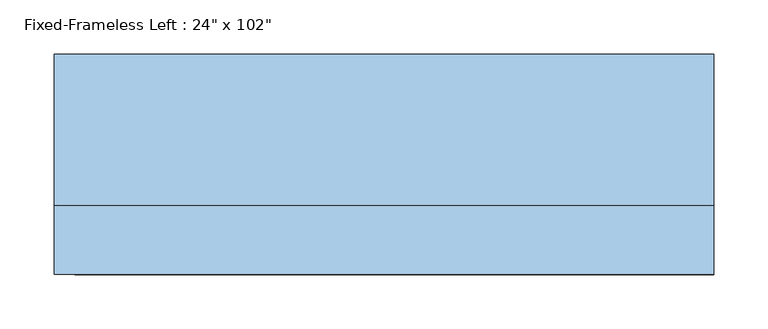
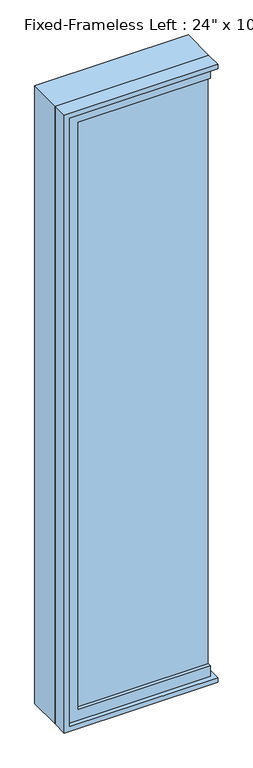
"""IFC4 building model written with IfcOpenShell, lengths in millimetres: window geometry."""

from ifc_helpers import new_model, si_unit, frame, origin, place, context, project, spatial, polyline, outline, extrude, source, transform, mapped, element, save


def window_0085fd8d(model_context):
    return source(origin(), model_context, "Body", "SweptSolid", [
        extrude(outline(polyline([(247.65, -53.975), (247.65, -66.675), (-279.4, -66.675), (-279.4, -53.975), (247.65, -53.975)])), frame((0.0, 0.0, 368.3), z_axis=(0.0, 0.0, 1.0), x_axis=(1.0, 0.0, 0.0)), (0.0, 0.0, 1.0), 2463.8),
        extrude(outline(polyline([(2876.55, -323.85), (323.85, -323.85), (323.85, 247.65), (368.3, 247.65), (368.3, -279.4), (2832.1, -279.4), (2832.1, 247.65), (2876.55, 247.65), (2876.55, -323.85)])), frame((0.0, -82.55, 0.0), z_axis=(0.0, 1.0, 0.0), x_axis=(0.0, 0.0, 1.0)), (0.0, 0.0, 1.0), 44.45),
        extrude(outline(polyline([(2895.6, -342.9), (304.8, -342.9), (304.8, 266.7), (336.55, 266.7), (336.55, -311.15), (2863.85, -311.15), (2863.85, 266.7), (2895.6, 266.7), (2895.6, -342.9)])), frame((0.0, -38.1, 0.0), z_axis=(0.0, 1.0, 0.0), x_axis=(0.0, 0.0, 1.0)), (0.0, 0.0, 1.0), 139.7),
        extrude(outline(polyline([(2895.6, 266.7), (2895.6, -342.9), (304.8, -342.9), (304.8, 266.7), (323.85, 266.7), (323.85, -323.85), (2876.55, -323.85), (2876.55, 266.7), (2895.6, 266.7)])), frame((0.0, -101.6, 0.0), z_axis=(0.0, 1.0, 0.0), x_axis=(0.0, 0.0, 1.0)), (0.0, 0.0, 1.0), 63.5),
    ])


if __name__ == "__main__":
    model = new_model("IFC4")
    model_context = context("Model", 3, world=origin())
    ifc_project = project(units=[si_unit("LENGTHUNIT", "METRE", prefix="MILLI")], contexts=[model_context])
    site = spatial("IfcSite", under=ifc_project)
    building = spatial("IfcBuilding", under=site)
    placement = place(None, origin())
    window_shape = window_0085fd8d(model_context)
    element("IfcWindow", 1, ObjectType="Fixed-Frameless Left : 24\" x 102\"", at=placement, inside=building, context=model_context, shape_type="MappedRepresentation", body=[
        mapped(window_shape, transform((0.0, 0.0, 0.0), x_axis=(1.0, 0.0, 0.0), y_axis=(0.0, 1.0, 0.0), z_axis=(0.0, 0.0, 1.0))),
    ])
    save(model, "model.ifc")
